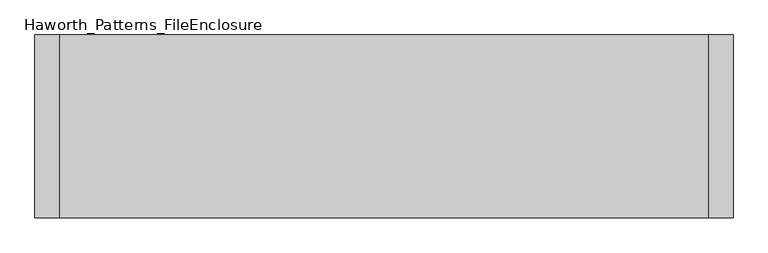
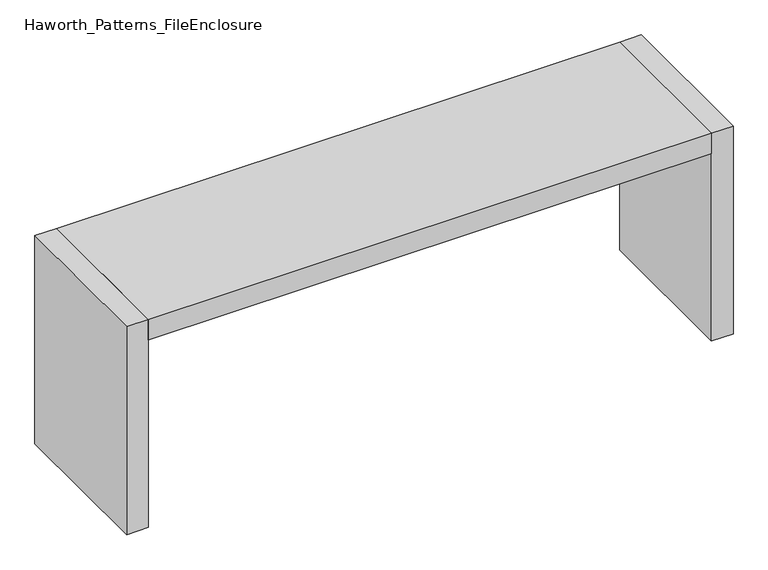
"""IFC4 building model written with IfcOpenShell, lengths in millimetres: furniture geometry, Haworth_Patterns_FileEnclosure."""

from ifc_helpers import new_model, si_unit, frame, origin, origin_with_axes, place, context, project, spatial, polyline, outline, extrude, source, transform, mapped, element, save


def haworth_patterns_fileenclosure_388f6cd6(model_context):
    return source(origin(), model_context, "Body", "SweptSolid", [
        extrude(outline(polyline([(990.6, 0.0), (990.6, -558.8), (-990.6, -558.8), (-990.6, 0.0), (990.6, 0.0)])), frame((0.0, 0.0, 698.5), z_axis=(0.0, 0.0, 1.0), x_axis=(1.0, 0.0, 0.0)), (0.0, 0.0, 1.0), 76.2),
        extrude(outline(polyline([(990.6, 0.0), (1066.8, 0.0), (1066.8, -558.8), (990.6, -558.8), (990.6, 0.0)])), origin_with_axes(), (0.0, 0.0, 1.0), 774.7),
        extrude(outline(polyline([(-990.6, 0.0), (-990.6, -558.8), (-1066.8, -558.8), (-1066.8, 0.0), (-990.6, 0.0)])), origin_with_axes(), (0.0, 0.0, 1.0), 774.7),
    ])


if __name__ == "__main__":
    model = new_model("IFC4")
    model_context = context("Model", 3, world=origin())
    ifc_project = project(units=[si_unit("LENGTHUNIT", "METRE", prefix="MILLI")], contexts=[model_context])
    site = spatial("IfcSite", under=ifc_project)
    building = spatial("IfcBuilding", under=site)
    placement = place(None, origin())
    haworth_patterns_fileenclosure_shape = haworth_patterns_fileenclosure_388f6cd6(model_context)
    element("IfcFurniture", 1, ObjectType="Haworth_Patterns_FileEnclosure", at=placement, inside=building, context=model_context, shape_type="MappedRepresentation", body=[
        mapped(haworth_patterns_fileenclosure_shape, transform((0.0, 0.0, 0.0), x_axis=(1.0, 0.0, 0.0), y_axis=(0.0, 1.0, 0.0), z_axis=(0.0, 0.0, 1.0))),
    ])
    save(model, "model.ifc")
